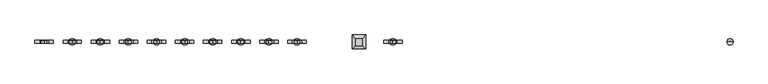
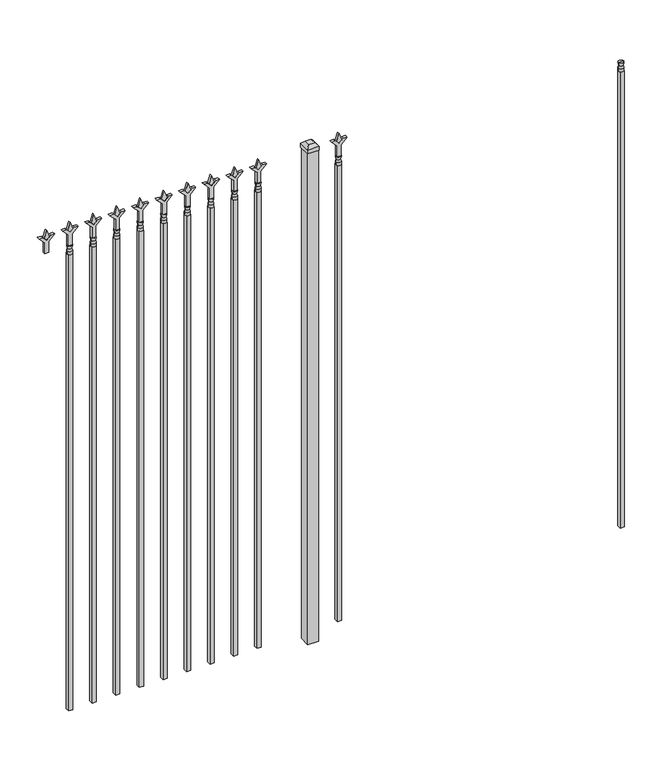
"""IFC4 building model written with IfcOpenShell, lengths in millimetres: railing geometry."""

from ifc_helpers import new_model, si_unit, frame, origin, origin_with_axes, place, context, project, spatial, polyline, circle_curve, outline, extrude, faceted_brep, source, transform, mapped, element, save
from ifc_brep_helpers import plane_surface, cylinder_surface, revolved_surface, advanced_brep


def railing_fdff99cb(model_context):
    return source(origin(), model_context, "Body", "SolidModel", [
        advanced_brep(
        [(-52219.574337, -3073.6570174, 2298.7), (-52243.386837, -3073.6570174, 2298.7), (-52243.386837, -3073.6570174, 2286.0), (-52219.574337, -3073.6570174, 2286.0), (-52221.7796688, -3073.6570174, 2311.2070585), (-52241.1815051, -3073.6570174, 2311.2070585), (-52219.574337, -3073.6570174, 2327.275), (-52243.386837, -3073.6570174, 2327.275), (-52231.480587, -3073.6570174, 2327.275), (-52231.480587, -3073.6570174, 2286.0)],
        [
            (0, 1, circle_curve(frame((-52231.480587, -3073.6570174, 2298.7), z_axis=(0.0, 0.0, -1.0), x_axis=(-1.0, 0.0, 0.0)), 11.90625)),
            (1, 2),
            (2, 3, circle_curve(frame((-52231.480587, -3073.6570174, 2286.0), z_axis=(0.0, 0.0, 1.0), x_axis=(-1.0, 0.0, 0.0)), 11.90625)),
            (3, 0),
            (1, 0, circle_curve(frame((-52231.480587, -3073.6570174, 2298.7), z_axis=(0.0, 0.0, -1.0), x_axis=(-1.0, 0.0, 0.0)), 11.90625)),
            (3, 2, circle_curve(frame((-52231.480587, -3073.6570174, 2286.0), z_axis=(0.0, 0.0, 1.0), x_axis=(-1.0, 0.0, 0.0)), 11.90625)),
            (4, 5, circle_curve(frame((-52231.480587, -3073.6570174, 2311.2070585), z_axis=(0.0, 0.0, -1.0), x_axis=(-1.0, 0.0, 0.0)), 9.7009181)),
            (5, 1),
            (0, 4),
            (5, 4, circle_curve(frame((-52231.480587, -3073.6570174, 2311.2070585), z_axis=(0.0, 0.0, -1.0), x_axis=(-1.0, 0.0, 0.0)), 9.7009181)),
            (6, 7, circle_curve(frame((-52231.480587, -3073.6570174, 2327.275), z_axis=(0.0, 0.0, -1.0), x_axis=(-1.0, 0.0, 0.0)), 11.90625)),
            (7, 5),
            (4, 6),
            (7, 6, circle_curve(frame((-52231.480587, -3073.6570174, 2327.275), z_axis=(0.0, 0.0, -1.0), x_axis=(-1.0, 0.0, 0.0)), 11.90625)),
            (8, 7),
            (6, 8),
            (2, 9),
            (9, 3),
        ],
        [
            cylinder_surface(frame((-52231.480587, -3073.6570174, 2286.0), z_axis=(0.0, 0.0, 1.0), x_axis=(-1.0, 0.0, 0.0)), 11.90625),
            revolved_surface(polyline([(-52243.386837, -3073.6570174, 2298.7), (-52241.1815051, -3073.6570174, 2311.2070585)]), (-52231.480587, -3073.6570174, 2286.0), (0.0, 0.0, 1.0)),
            revolved_surface(polyline([(-52241.1815051, -3073.6570174, 2311.2070585), (-52243.386837, -3073.6570174, 2327.275)]), (-52231.480587, -3073.6570174, 2286.0), (0.0, 0.0, 1.0)),
            plane_surface(frame((-52231.480587, -3073.6570174, 2327.275), z_axis=(0.0, 0.0, 1.0), x_axis=(-1.0, 0.0, 0.0))),
            plane_surface(frame((-52231.480587, -3073.6570174, 2286.0), z_axis=(0.0, 0.0, -1.0), x_axis=(-1.0, 0.0, 0.0))),
        ],
        [
            (0, [[1, 2, 3, 4]]),
            (0, [[5, -4, 6, -2]]),
            (1, [[7, 8, -1, 9]]),
            (1, [[10, -9, -5, -8]]),
            (2, [[11, 12, -7, 13]]),
            (2, [[14, -13, -10, -12]]),
            (3, [[15, -11, 16]]),
            (3, [[-16, -14, -15]]),
            (4, [[-3, 17, 18]]),
            (4, [[-6, -18, -17]]),
        ],
    ),
        extrude(outline(polyline([(-52241.005587, -3064.1320174), (-52221.955587, -3064.1320174), (-52221.955587, -3083.1820174), (-52241.005587, -3083.1820174), (-52241.005587, -3064.1320174)])), frame((0.0, 0.0, 50.8), z_axis=(0.0, 0.0, 1.0), x_axis=(1.0, 0.0, 0.0)), (0.0, 0.0, 1.0), 2235.2),
        extrude(outline(polyline([(2402.68125, -53530.849337), (2438.4, -53542.755587), (2402.68125, -53554.661837), (2390.775, -53542.755587), (2402.68125, -53530.849337)])), frame((0.0, -3078.4195174, 0.0), z_axis=(0.0, 1.0, 0.0), x_axis=(0.0, 0.0, 1.0)), (0.0, 0.0, 1.0), 9.525),
        extrude(outline(polyline([(2327.275, -53534.024337), (2381.5457378, -53534.024337), (2408.7355122, -53506.8345625), (2408.7355122, -53524.7950747), (2390.775, -53542.755587), (2408.7355122, -53560.7160992), (2408.7355122, -53578.6766114), (2381.5457378, -53551.486837), (2327.275, -53551.486837), (2327.275, -53534.024337)])), frame((0.0, -3080.0070174, 0.0), z_axis=(0.0, 1.0, 0.0), x_axis=(0.0, 0.0, 1.0)), (0.0, 0.0, 1.0), 12.7),
        advanced_brep(
        [(-53530.849337, -3073.6570174, 2298.7), (-53554.661837, -3073.6570174, 2298.7), (-53554.661837, -3073.6570174, 2286.0), (-53530.849337, -3073.6570174, 2286.0), (-53533.0546688, -3073.6570174, 2311.2070585), (-53552.4565051, -3073.6570174, 2311.2070585), (-53530.849337, -3073.6570174, 2327.275), (-53554.661837, -3073.6570174, 2327.275), (-53542.755587, -3073.6570174, 2327.275), (-53542.755587, -3073.6570174, 2286.0)],
        [
            (0, 1, circle_curve(frame((-53542.755587, -3073.6570174, 2298.7), z_axis=(0.0, 0.0, -1.0), x_axis=(-1.0, 0.0, 0.0)), 11.90625)),
            (1, 2),
            (2, 3, circle_curve(frame((-53542.755587, -3073.6570174, 2286.0), z_axis=(0.0, 0.0, 1.0), x_axis=(-1.0, 0.0, 0.0)), 11.90625)),
            (3, 0),
            (1, 0, circle_curve(frame((-53542.755587, -3073.6570174, 2298.7), z_axis=(0.0, 0.0, -1.0), x_axis=(-1.0, 0.0, 0.0)), 11.90625)),
            (3, 2, circle_curve(frame((-53542.755587, -3073.6570174, 2286.0), z_axis=(0.0, 0.0, 1.0), x_axis=(-1.0, 0.0, 0.0)), 11.90625)),
            (4, 5, circle_curve(frame((-53542.755587, -3073.6570174, 2311.2070585), z_axis=(0.0, 0.0, -1.0), x_axis=(-1.0, 0.0, 0.0)), 9.7009181)),
            (5, 1),
            (0, 4),
            (5, 4, circle_curve(frame((-53542.755587, -3073.6570174, 2311.2070585), z_axis=(0.0, 0.0, -1.0), x_axis=(-1.0, 0.0, 0.0)), 9.7009181)),
            (6, 7, circle_curve(frame((-53542.755587, -3073.6570174, 2327.275), z_axis=(0.0, 0.0, -1.0), x_axis=(-1.0, 0.0, 0.0)), 11.90625)),
            (7, 5),
            (4, 6),
            (7, 6, circle_curve(frame((-53542.755587, -3073.6570174, 2327.275), z_axis=(0.0, 0.0, -1.0), x_axis=(-1.0, 0.0, 0.0)), 11.90625)),
            (8, 7),
            (6, 8),
            (2, 9),
            (9, 3),
        ],
        [
            cylinder_surface(frame((-53542.755587, -3073.6570174, 2286.0), z_axis=(0.0, 0.0, 1.0), x_axis=(-1.0, 0.0, 0.0)), 11.90625),
            revolved_surface(polyline([(-53554.661837, -3073.6570174, 2298.7), (-53552.4565051, -3073.6570174, 2311.2070585)]), (-53542.755587, -3073.6570174, 2286.0), (0.0, 0.0, 1.0)),
            revolved_surface(polyline([(-53552.4565051, -3073.6570174, 2311.2070585), (-53554.661837, -3073.6570174, 2327.275)]), (-53542.755587, -3073.6570174, 2286.0), (0.0, 0.0, 1.0)),
            plane_surface(frame((-53542.755587, -3073.6570174, 2327.275), z_axis=(0.0, 0.0, 1.0), x_axis=(-1.0, 0.0, 0.0))),
            plane_surface(frame((-53542.755587, -3073.6570174, 2286.0), z_axis=(0.0, 0.0, -1.0), x_axis=(-1.0, 0.0, 0.0))),
        ],
        [
            (0, [[1, 2, 3, 4]]),
            (0, [[5, -4, 6, -2]]),
            (1, [[7, 8, -1, 9]]),
            (1, [[10, -9, -5, -8]]),
            (2, [[11, 12, -7, 13]]),
            (2, [[14, -13, -10, -12]]),
            (3, [[15, -11, 16]]),
            (3, [[-16, -14, -15]]),
            (4, [[-3, 17, 18]]),
            (4, [[-6, -18, -17]]),
        ],
    ),
        extrude(outline(polyline([(-53552.280587, -3064.1320174), (-53533.230587, -3064.1320174), (-53533.230587, -3083.1820174), (-53552.280587, -3083.1820174), (-53552.280587, -3064.1320174)])), frame((0.0, 0.0, 50.8), z_axis=(0.0, 0.0, 1.0), x_axis=(1.0, 0.0, 0.0)), (0.0, 0.0, 1.0), 2235.2),
        extrude(outline(polyline([(-53649.118087, -3048.2570174), (-53649.118087, -3099.0570174), (-53699.918087, -3099.0570174), (-53699.918087, -3048.2570174), (-53649.118087, -3048.2570174)])), origin_with_axes(), (0.0, 0.0, 1.0), 2406.65),
        faceted_brep([(-53701.505587, -3046.6695174, 2425.7), (-53701.505587, -3046.6695174, 2406.65), (-53701.505587, -3100.6445174, 2406.65), (-53701.505587, -3100.6445174, 2425.7), (-53688.805587, -3059.3695174, 2438.4), (-53688.805587, -3087.9445174, 2438.4), (-53647.530587, -3100.6445174, 2406.65), (-53647.530587, -3100.6445174, 2425.7), (-53660.230587, -3087.9445174, 2438.4), (-53647.530587, -3046.6695174, 2406.65), (-53647.530587, -3046.6695174, 2425.7), (-53660.230587, -3059.3695174, 2438.4)], [[[0, 1, 2, 3]], [[4, 0, 3, 5]], [[3, 2, 6, 7]], [[5, 3, 7, 8]], [[7, 6, 9, 10]], [[8, 7, 10, 11]], [[10, 9, 1, 0]], [[11, 10, 0, 4]], [[5, 8, 11, 4]], [[1, 9, 6, 2]]]),
        extrude(outline(polyline([(2402.68125, -53903.6472536), (2438.4, -53915.5535036), (2402.68125, -53927.4597536), (2390.775, -53915.5535036), (2402.68125, -53903.6472536)])), frame((0.0, -3078.4195174, 0.0), z_axis=(0.0, 1.0, 0.0), x_axis=(0.0, 0.0, 1.0)), (0.0, 0.0, 1.0), 9.525),
        extrude(outline(polyline([(2327.275, -53906.8222536), (2381.5457378, -53906.8222536), (2408.7355122, -53879.6324791), (2408.7355122, -53897.5929914), (2390.775, -53915.5535036), (2408.7355122, -53933.5140159), (2408.7355122, -53951.4745281), (2381.5457378, -53924.2847536), (2327.275, -53924.2847536), (2327.275, -53906.8222536)])), frame((0.0, -3080.0070174, 0.0), z_axis=(0.0, 1.0, 0.0), x_axis=(0.0, 0.0, 1.0)), (0.0, 0.0, 1.0), 12.7),
        advanced_brep(
        [(-53903.6472536, -3073.6570174, 2298.7), (-53927.4597536, -3073.6570174, 2298.7), (-53927.4597536, -3073.6570174, 2286.0), (-53903.6472536, -3073.6570174, 2286.0), (-53905.8525855, -3073.6570174, 2311.2070585), (-53925.2544218, -3073.6570174, 2311.2070585), (-53903.6472536, -3073.6570174, 2327.275), (-53927.4597536, -3073.6570174, 2327.275), (-53915.5535036, -3073.6570174, 2327.275), (-53915.5535036, -3073.6570174, 2286.0)],
        [
            (0, 1, circle_curve(frame((-53915.5535036, -3073.6570174, 2298.7), z_axis=(0.0, 0.0, -1.0), x_axis=(-1.0, 0.0, 0.0)), 11.90625)),
            (1, 2),
            (2, 3, circle_curve(frame((-53915.5535036, -3073.6570174, 2286.0), z_axis=(0.0, 0.0, 1.0), x_axis=(-1.0, 0.0, 0.0)), 11.90625)),
            (3, 0),
            (1, 0, circle_curve(frame((-53915.5535036, -3073.6570174, 2298.7), z_axis=(0.0, 0.0, -1.0), x_axis=(-1.0, 0.0, 0.0)), 11.90625)),
            (3, 2, circle_curve(frame((-53915.5535036, -3073.6570174, 2286.0), z_axis=(0.0, 0.0, 1.0), x_axis=(-1.0, 0.0, 0.0)), 11.90625)),
            (4, 5, circle_curve(frame((-53915.5535036, -3073.6570174, 2311.2070585), z_axis=(0.0, 0.0, -1.0), x_axis=(-1.0, 0.0, 0.0)), 9.7009181)),
            (5, 1),
            (0, 4),
            (5, 4, circle_curve(frame((-53915.5535036, -3073.6570174, 2311.2070585), z_axis=(0.0, 0.0, -1.0), x_axis=(-1.0, 0.0, 0.0)), 9.7009181)),
            (6, 7, circle_curve(frame((-53915.5535036, -3073.6570174, 2327.275), z_axis=(0.0, 0.0, -1.0), x_axis=(-1.0, 0.0, 0.0)), 11.90625)),
            (7, 5),
            (4, 6),
            (7, 6, circle_curve(frame((-53915.5535036, -3073.6570174, 2327.275), z_axis=(0.0, 0.0, -1.0), x_axis=(-1.0, 0.0, 0.0)), 11.90625)),
            (8, 7),
            (6, 8),
            (2, 9),
            (9, 3),
        ],
        [
            cylinder_surface(frame((-53915.5535036, -3073.6570174, 2286.0), z_axis=(0.0, 0.0, 1.0), x_axis=(-1.0, 0.0, 0.0)), 11.90625),
            revolved_surface(polyline([(-53927.4597536, -3073.6570174, 2298.7), (-53925.2544218, -3073.6570174, 2311.2070585)]), (-53915.5535036, -3073.6570174, 2286.0), (0.0, 0.0, 1.0)),
            revolved_surface(polyline([(-53925.2544218, -3073.6570174, 2311.2070585), (-53927.4597536, -3073.6570174, 2327.275)]), (-53915.5535036, -3073.6570174, 2286.0), (0.0, 0.0, 1.0)),
            plane_surface(frame((-53915.5535036, -3073.6570174, 2327.275), z_axis=(0.0, 0.0, 1.0), x_axis=(-1.0, 0.0, 0.0))),
            plane_surface(frame((-53915.5535036, -3073.6570174, 2286.0), z_axis=(0.0, 0.0, -1.0), x_axis=(-1.0, 0.0, 0.0))),
        ],
        [
            (0, [[1, 2, 3, 4]]),
            (0, [[5, -4, 6, -2]]),
            (1, [[7, 8, -1, 9]]),
            (1, [[10, -9, -5, -8]]),
            (2, [[11, 12, -7, 13]]),
            (2, [[14, -13, -10, -12]]),
            (3, [[15, -11, 16]]),
            (3, [[-16, -14, -15]]),
            (4, [[-3, 17, 18]]),
            (4, [[-6, -18, -17]]),
        ],
    ),
        extrude(outline(polyline([(-53925.0785036, -3064.1320174), (-53906.0285036, -3064.1320174), (-53906.0285036, -3083.1820174), (-53925.0785036, -3083.1820174), (-53925.0785036, -3064.1320174)])), frame((0.0, 0.0, 50.8), z_axis=(0.0, 0.0, 1.0), x_axis=(1.0, 0.0, 0.0)), (0.0, 0.0, 1.0), 2235.2),
        extrude(outline(polyline([(2402.68125, -54012.9201703), (2438.4, -54024.8264203), (2402.68125, -54036.7326703), (2390.775, -54024.8264203), (2402.68125, -54012.9201703)])), frame((0.0, -3078.4195174, 0.0), z_axis=(0.0, 1.0, 0.0), x_axis=(0.0, 0.0, 1.0)), (0.0, 0.0, 1.0), 9.525),
        extrude(outline(polyline([(2327.275, -54016.0951703), (2381.5457378, -54016.0951703), (2408.7355122, -53988.9053958), (2408.7355122, -54006.8659081), (2390.775, -54024.8264203), (2408.7355122, -54042.7869325), (2408.7355122, -54060.7474448), (2381.5457378, -54033.5576703), (2327.275, -54033.5576703), (2327.275, -54016.0951703)])), frame((0.0, -3080.0070174, 0.0), z_axis=(0.0, 1.0, 0.0), x_axis=(0.0, 0.0, 1.0)), (0.0, 0.0, 1.0), 12.7),
        advanced_brep(
        [(-54012.9201703, -3073.6570174, 2298.7), (-54036.7326703, -3073.6570174, 2298.7), (-54036.7326703, -3073.6570174, 2286.0), (-54012.9201703, -3073.6570174, 2286.0), (-54015.1255022, -3073.6570174, 2311.2070585), (-54034.5273384, -3073.6570174, 2311.2070585), (-54012.9201703, -3073.6570174, 2327.275), (-54036.7326703, -3073.6570174, 2327.275), (-54024.8264203, -3073.6570174, 2327.275), (-54024.8264203, -3073.6570174, 2286.0)],
        [
            (0, 1, circle_curve(frame((-54024.8264203, -3073.6570174, 2298.7), z_axis=(0.0, 0.0, -1.0), x_axis=(-1.0, 0.0, 0.0)), 11.90625)),
            (1, 2),
            (2, 3, circle_curve(frame((-54024.8264203, -3073.6570174, 2286.0), z_axis=(0.0, 0.0, 1.0), x_axis=(-1.0, 0.0, 0.0)), 11.90625)),
            (3, 0),
            (1, 0, circle_curve(frame((-54024.8264203, -3073.6570174, 2298.7), z_axis=(0.0, 0.0, -1.0), x_axis=(-1.0, 0.0, 0.0)), 11.90625)),
            (3, 2, circle_curve(frame((-54024.8264203, -3073.6570174, 2286.0), z_axis=(0.0, 0.0, 1.0), x_axis=(-1.0, 0.0, 0.0)), 11.90625)),
            (4, 5, circle_curve(frame((-54024.8264203, -3073.6570174, 2311.2070585), z_axis=(0.0, 0.0, -1.0), x_axis=(-1.0, 0.0, 0.0)), 9.7009181)),
            (5, 1),
            (0, 4),
            (5, 4, circle_curve(frame((-54024.8264203, -3073.6570174, 2311.2070585), z_axis=(0.0, 0.0, -1.0), x_axis=(-1.0, 0.0, 0.0)), 9.7009181)),
            (6, 7, circle_curve(frame((-54024.8264203, -3073.6570174, 2327.275), z_axis=(0.0, 0.0, -1.0), x_axis=(-1.0, 0.0, 0.0)), 11.90625)),
            (7, 5),
            (4, 6),
            (7, 6, circle_curve(frame((-54024.8264203, -3073.6570174, 2327.275), z_axis=(0.0, 0.0, -1.0), x_axis=(-1.0, 0.0, 0.0)), 11.90625)),
            (8, 7),
            (6, 8),
            (2, 9),
            (9, 3),
        ],
        [
            cylinder_surface(frame((-54024.8264203, -3073.6570174, 2286.0), z_axis=(0.0, 0.0, 1.0), x_axis=(-1.0, 0.0, 0.0)), 11.90625),
            revolved_surface(polyline([(-54036.7326703, -3073.6570174, 2298.7), (-54034.5273384, -3073.6570174, 2311.2070585)]), (-54024.8264203, -3073.6570174, 2286.0), (0.0, 0.0, 1.0)),
            revolved_surface(polyline([(-54034.5273384, -3073.6570174, 2311.2070585), (-54036.7326703, -3073.6570174, 2327.275)]), (-54024.8264203, -3073.6570174, 2286.0), (0.0, 0.0, 1.0)),
            plane_surface(frame((-54024.8264203, -3073.6570174, 2327.275), z_axis=(0.0, 0.0, 1.0), x_axis=(-1.0, 0.0, 0.0))),
            plane_surface(frame((-54024.8264203, -3073.6570174, 2286.0), z_axis=(0.0, 0.0, -1.0), x_axis=(-1.0, 0.0, 0.0))),
        ],
        [
            (0, [[1, 2, 3, 4]]),
            (0, [[5, -4, 6, -2]]),
            (1, [[7, 8, -1, 9]]),
            (1, [[10, -9, -5, -8]]),
            (2, [[11, 12, -7, 13]]),
            (2, [[14, -13, -10, -12]]),
            (3, [[15, -11, 16]]),
            (3, [[-16, -14, -15]]),
            (4, [[-3, 17, 18]]),
            (4, [[-6, -18, -17]]),
        ],
    ),
        extrude(outline(polyline([(-54034.3514203, -3064.1320174), (-54015.3014203, -3064.1320174), (-54015.3014203, -3083.1820174), (-54034.3514203, -3083.1820174), (-54034.3514203, -3064.1320174)])), frame((0.0, 0.0, 50.8), z_axis=(0.0, 0.0, 1.0), x_axis=(1.0, 0.0, 0.0)), (0.0, 0.0, 1.0), 2235.2),
        extrude(outline(polyline([(2402.68125, -54122.193087), (2438.4, -54134.099337), (2402.68125, -54146.005587), (2390.775, -54134.099337), (2402.68125, -54122.193087)])), frame((0.0, -3078.4195174, 0.0), z_axis=(0.0, 1.0, 0.0), x_axis=(0.0, 0.0, 1.0)), (0.0, 0.0, 1.0), 9.525),
        extrude(outline(polyline([(2327.275, -54125.368087), (2381.5457378, -54125.368087), (2408.7355122, -54098.1783125), (2408.7355122, -54116.1388247), (2390.775, -54134.099337), (2408.7355122, -54152.0598492), (2408.7355122, -54170.0203614), (2381.5457378, -54142.830587), (2327.275, -54142.830587), (2327.275, -54125.368087)])), frame((0.0, -3080.0070174, 0.0), z_axis=(0.0, 1.0, 0.0), x_axis=(0.0, 0.0, 1.0)), (0.0, 0.0, 1.0), 12.7),
        advanced_brep(
        [(-54122.193087, -3073.6570174, 2298.7), (-54146.005587, -3073.6570174, 2298.7), (-54146.005587, -3073.6570174, 2286.0), (-54122.193087, -3073.6570174, 2286.0), (-54124.3984188, -3073.6570174, 2311.2070585), (-54143.8002551, -3073.6570174, 2311.2070585), (-54122.193087, -3073.6570174, 2327.275), (-54146.005587, -3073.6570174, 2327.275), (-54134.099337, -3073.6570174, 2327.275), (-54134.099337, -3073.6570174, 2286.0)],
        [
            (0, 1, circle_curve(frame((-54134.099337, -3073.6570174, 2298.7), z_axis=(0.0, 0.0, -1.0), x_axis=(-1.0, 0.0, 0.0)), 11.90625)),
            (1, 2),
            (2, 3, circle_curve(frame((-54134.099337, -3073.6570174, 2286.0), z_axis=(0.0, 0.0, 1.0), x_axis=(-1.0, 0.0, 0.0)), 11.90625)),
            (3, 0),
            (1, 0, circle_curve(frame((-54134.099337, -3073.6570174, 2298.7), z_axis=(0.0, 0.0, -1.0), x_axis=(-1.0, 0.0, 0.0)), 11.90625)),
            (3, 2, circle_curve(frame((-54134.099337, -3073.6570174, 2286.0), z_axis=(0.0, 0.0, 1.0), x_axis=(-1.0, 0.0, 0.0)), 11.90625)),
            (4, 5, circle_curve(frame((-54134.099337, -3073.6570174, 2311.2070585), z_axis=(0.0, 0.0, -1.0), x_axis=(-1.0, 0.0, 0.0)), 9.7009181)),
            (5, 1),
            (0, 4),
            (5, 4, circle_curve(frame((-54134.099337, -3073.6570174, 2311.2070585), z_axis=(0.0, 0.0, -1.0), x_axis=(-1.0, 0.0, 0.0)), 9.7009181)),
            (6, 7, circle_curve(frame((-54134.099337, -3073.6570174, 2327.275), z_axis=(0.0, 0.0, -1.0), x_axis=(-1.0, 0.0, 0.0)), 11.90625)),
            (7, 5),
            (4, 6),
            (7, 6, circle_curve(frame((-54134.099337, -3073.6570174, 2327.275), z_axis=(0.0, 0.0, -1.0), x_axis=(-1.0, 0.0, 0.0)), 11.90625)),
            (8, 7),
            (6, 8),
            (2, 9),
            (9, 3),
        ],
        [
            cylinder_surface(frame((-54134.099337, -3073.6570174, 2286.0), z_axis=(0.0, 0.0, 1.0), x_axis=(-1.0, 0.0, 0.0)), 11.90625),
            revolved_surface(polyline([(-54146.005587, -3073.6570174, 2298.7), (-54143.8002551, -3073.6570174, 2311.2070585)]), (-54134.099337, -3073.6570174, 2286.0), (0.0, 0.0, 1.0)),
            revolved_surface(polyline([(-54143.8002551, -3073.6570174, 2311.2070585), (-54146.005587, -3073.6570174, 2327.275)]), (-54134.099337, -3073.6570174, 2286.0), (0.0, 0.0, 1.0)),
            plane_surface(frame((-54134.099337, -3073.6570174, 2327.275), z_axis=(0.0, 0.0, 1.0), x_axis=(-1.0, 0.0, 0.0))),
            plane_surface(frame((-54134.099337, -3073.6570174, 2286.0), z_axis=(0.0, 0.0, -1.0), x_axis=(-1.0, 0.0, 0.0))),
        ],
        [
            (0, [[1, 2, 3, 4]]),
            (0, [[5, -4, 6, -2]]),
            (1, [[7, 8, -1, 9]]),
            (1, [[10, -9, -5, -8]]),
            (2, [[11, 12, -7, 13]]),
            (2, [[14, -13, -10, -12]]),
            (3, [[15, -11, 16]]),
            (3, [[-16, -14, -15]]),
            (4, [[-3, 17, 18]]),
            (4, [[-6, -18, -17]]),
        ],
    ),
        extrude(outline(polyline([(-54143.624337, -3064.1320174), (-54124.574337, -3064.1320174), (-54124.574337, -3083.1820174), (-54143.624337, -3083.1820174), (-54143.624337, -3064.1320174)])), frame((0.0, 0.0, 50.8), z_axis=(0.0, 0.0, 1.0), x_axis=(1.0, 0.0, 0.0)), (0.0, 0.0, 1.0), 2235.2),
        extrude(outline(polyline([(2402.68125, -54231.4660036), (2438.4, -54243.3722536), (2402.68125, -54255.2785036), (2390.775, -54243.3722536), (2402.68125, -54231.4660036)])), frame((0.0, -3078.4195174, 0.0), z_axis=(0.0, 1.0, 0.0), x_axis=(0.0, 0.0, 1.0)), (0.0, 0.0, 1.0), 9.525),
        extrude(outline(polyline([(2327.275, -54234.6410036), (2381.5457378, -54234.6410036), (2408.7355122, -54207.4512291), (2408.7355122, -54225.4117414), (2390.775, -54243.3722536), (2408.7355122, -54261.3327659), (2408.7355122, -54279.2932781), (2381.5457378, -54252.1035036), (2327.275, -54252.1035036), (2327.275, -54234.6410036)])), frame((0.0, -3080.0070174, 0.0), z_axis=(0.0, 1.0, 0.0), x_axis=(0.0, 0.0, 1.0)), (0.0, 0.0, 1.0), 12.7),
        advanced_brep(
        [(-54231.4660036, -3073.6570174, 2298.7), (-54255.2785036, -3073.6570174, 2298.7), (-54255.2785036, -3073.6570174, 2286.0), (-54231.4660036, -3073.6570174, 2286.0), (-54233.6713355, -3073.6570174, 2311.2070585), (-54253.0731718, -3073.6570174, 2311.2070585), (-54231.4660036, -3073.6570174, 2327.275), (-54255.2785036, -3073.6570174, 2327.275), (-54243.3722536, -3073.6570174, 2327.275), (-54243.3722536, -3073.6570174, 2286.0)],
        [
            (0, 1, circle_curve(frame((-54243.3722536, -3073.6570174, 2298.7), z_axis=(0.0, 0.0, -1.0), x_axis=(-1.0, 0.0, 0.0)), 11.90625)),
            (1, 2),
            (2, 3, circle_curve(frame((-54243.3722536, -3073.6570174, 2286.0), z_axis=(0.0, 0.0, 1.0), x_axis=(-1.0, 0.0, 0.0)), 11.90625)),
            (3, 0),
            (1, 0, circle_curve(frame((-54243.3722536, -3073.6570174, 2298.7), z_axis=(0.0, 0.0, -1.0), x_axis=(-1.0, 0.0, 0.0)), 11.90625)),
            (3, 2, circle_curve(frame((-54243.3722536, -3073.6570174, 2286.0), z_axis=(0.0, 0.0, 1.0), x_axis=(-1.0, 0.0, 0.0)), 11.90625)),
            (4, 5, circle_curve(frame((-54243.3722536, -3073.6570174, 2311.2070585), z_axis=(0.0, 0.0, -1.0), x_axis=(-1.0, 0.0, 0.0)), 9.7009181)),
            (5, 1),
            (0, 4),
            (5, 4, circle_curve(frame((-54243.3722536, -3073.6570174, 2311.2070585), z_axis=(0.0, 0.0, -1.0), x_axis=(-1.0, 0.0, 0.0)), 9.7009181)),
            (6, 7, circle_curve(frame((-54243.3722536, -3073.6570174, 2327.275), z_axis=(0.0, 0.0, -1.0), x_axis=(-1.0, 0.0, 0.0)), 11.90625)),
            (7, 5),
            (4, 6),
            (7, 6, circle_curve(frame((-54243.3722536, -3073.6570174, 2327.275), z_axis=(0.0, 0.0, -1.0), x_axis=(-1.0, 0.0, 0.0)), 11.90625)),
            (8, 7),
            (6, 8),
            (2, 9),
            (9, 3),
        ],
        [
            cylinder_surface(frame((-54243.3722536, -3073.6570174, 2286.0), z_axis=(0.0, 0.0, 1.0), x_axis=(-1.0, 0.0, 0.0)), 11.90625),
            revolved_surface(polyline([(-54255.2785036, -3073.6570174, 2298.7), (-54253.0731718, -3073.6570174, 2311.2070585)]), (-54243.3722536, -3073.6570174, 2286.0), (0.0, 0.0, 1.0)),
            revolved_surface(polyline([(-54253.0731718, -3073.6570174, 2311.2070585), (-54255.2785036, -3073.6570174, 2327.275)]), (-54243.3722536, -3073.6570174, 2286.0), (0.0, 0.0, 1.0)),
            plane_surface(frame((-54243.3722536, -3073.6570174, 2327.275), z_axis=(0.0, 0.0, 1.0), x_axis=(-1.0, 0.0, 0.0))),
            plane_surface(frame((-54243.3722536, -3073.6570174, 2286.0), z_axis=(0.0, 0.0, -1.0), x_axis=(-1.0, 0.0, 0.0))),
        ],
        [
            (0, [[1, 2, 3, 4]]),
            (0, [[5, -4, 6, -2]]),
            (1, [[7, 8, -1, 9]]),
            (1, [[10, -9, -5, -8]]),
            (2, [[11, 12, -7, 13]]),
            (2, [[14, -13, -10, -12]]),
            (3, [[15, -11, 16]]),
            (3, [[-16, -14, -15]]),
            (4, [[-3, 17, 18]]),
            (4, [[-6, -18, -17]]),
        ],
    ),
        extrude(outline(polyline([(-54252.8972536, -3064.1320174), (-54233.8472536, -3064.1320174), (-54233.8472536, -3083.1820174), (-54252.8972536, -3083.1820174), (-54252.8972536, -3064.1320174)])), frame((0.0, 0.0, 50.8), z_axis=(0.0, 0.0, 1.0), x_axis=(1.0, 0.0, 0.0)), (0.0, 0.0, 1.0), 2235.2),
        extrude(outline(polyline([(2402.68125, -54340.7389203), (2438.4, -54352.6451703), (2402.68125, -54364.5514203), (2390.775, -54352.6451703), (2402.68125, -54340.7389203)])), frame((0.0, -3078.4195174, 0.0), z_axis=(0.0, 1.0, 0.0), x_axis=(0.0, 0.0, 1.0)), (0.0, 0.0, 1.0), 9.525),
        extrude(outline(polyline([(2327.275, -54343.9139203), (2381.5457378, -54343.9139203), (2408.7355122, -54316.7241458), (2408.7355122, -54334.6846581), (2390.775, -54352.6451703), (2408.7355122, -54370.6056825), (2408.7355122, -54388.5661948), (2381.5457378, -54361.3764203), (2327.275, -54361.3764203), (2327.275, -54343.9139203)])), frame((0.0, -3080.0070174, 0.0), z_axis=(0.0, 1.0, 0.0), x_axis=(0.0, 0.0, 1.0)), (0.0, 0.0, 1.0), 12.7),
        advanced_brep(
        [(-54340.7389203, -3073.6570174, 2298.7), (-54364.5514203, -3073.6570174, 2298.7), (-54364.5514203, -3073.6570174, 2286.0), (-54340.7389203, -3073.6570174, 2286.0), (-54342.9442522, -3073.6570174, 2311.2070585), (-54362.3460884, -3073.6570174, 2311.2070585), (-54340.7389203, -3073.6570174, 2327.275), (-54364.5514203, -3073.6570174, 2327.275), (-54352.6451703, -3073.6570174, 2327.275), (-54352.6451703, -3073.6570174, 2286.0)],
        [
            (0, 1, circle_curve(frame((-54352.6451703, -3073.6570174, 2298.7), z_axis=(0.0, 0.0, -1.0), x_axis=(-1.0, 0.0, 0.0)), 11.90625)),
            (1, 2),
            (2, 3, circle_curve(frame((-54352.6451703, -3073.6570174, 2286.0), z_axis=(0.0, 0.0, 1.0), x_axis=(-1.0, 0.0, 0.0)), 11.90625)),
            (3, 0),
            (1, 0, circle_curve(frame((-54352.6451703, -3073.6570174, 2298.7), z_axis=(0.0, 0.0, -1.0), x_axis=(-1.0, 0.0, 0.0)), 11.90625)),
            (3, 2, circle_curve(frame((-54352.6451703, -3073.6570174, 2286.0), z_axis=(0.0, 0.0, 1.0), x_axis=(-1.0, 0.0, 0.0)), 11.90625)),
            (4, 5, circle_curve(frame((-54352.6451703, -3073.6570174, 2311.2070585), z_axis=(0.0, 0.0, -1.0), x_axis=(-1.0, 0.0, 0.0)), 9.7009181)),
            (5, 1),
            (0, 4),
            (5, 4, circle_curve(frame((-54352.6451703, -3073.6570174, 2311.2070585), z_axis=(0.0, 0.0, -1.0), x_axis=(-1.0, 0.0, 0.0)), 9.7009181)),
            (6, 7, circle_curve(frame((-54352.6451703, -3073.6570174, 2327.275), z_axis=(0.0, 0.0, -1.0), x_axis=(-1.0, 0.0, 0.0)), 11.90625)),
            (7, 5),
            (4, 6),
            (7, 6, circle_curve(frame((-54352.6451703, -3073.6570174, 2327.275), z_axis=(0.0, 0.0, -1.0), x_axis=(-1.0, 0.0, 0.0)), 11.90625)),
            (8, 7),
            (6, 8),
            (2, 9),
            (9, 3),
        ],
        [
            cylinder_surface(frame((-54352.6451703, -3073.6570174, 2286.0), z_axis=(0.0, 0.0, 1.0), x_axis=(-1.0, 0.0, 0.0)), 11.90625),
            revolved_surface(polyline([(-54364.5514203, -3073.6570174, 2298.7), (-54362.3460884, -3073.6570174, 2311.2070585)]), (-54352.6451703, -3073.6570174, 2286.0), (0.0, 0.0, 1.0)),
            revolved_surface(polyline([(-54362.3460884, -3073.6570174, 2311.2070585), (-54364.5514203, -3073.6570174, 2327.275)]), (-54352.6451703, -3073.6570174, 2286.0), (0.0, 0.0, 1.0)),
            plane_surface(frame((-54352.6451703, -3073.6570174, 2327.275), z_axis=(0.0, 0.0, 1.0), x_axis=(-1.0, 0.0, 0.0))),
            plane_surface(frame((-54352.6451703, -3073.6570174, 2286.0), z_axis=(0.0, 0.0, -1.0), x_axis=(-1.0, 0.0, 0.0))),
        ],
        [
            (0, [[1, 2, 3, 4]]),
            (0, [[5, -4, 6, -2]]),
            (1, [[7, 8, -1, 9]]),
            (1, [[10, -9, -5, -8]]),
            (2, [[11, 12, -7, 13]]),
            (2, [[14, -13, -10, -12]]),
            (3, [[15, -11, 16]]),
            (3, [[-16, -14, -15]]),
            (4, [[-3, 17, 18]]),
            (4, [[-6, -18, -17]]),
        ],
    ),
        extrude(outline(polyline([(-54362.1701703, -3064.1320174), (-54343.1201703, -3064.1320174), (-54343.1201703, -3083.1820174), (-54362.1701703, -3083.1820174), (-54362.1701703, -3064.1320174)])), frame((0.0, 0.0, 50.8), z_axis=(0.0, 0.0, 1.0), x_axis=(1.0, 0.0, 0.0)), (0.0, 0.0, 1.0), 2235.2),
        extrude(outline(polyline([(2402.68125, -54450.011837), (2438.4, -54461.918087), (2402.68125, -54473.824337), (2390.775, -54461.918087), (2402.68125, -54450.011837)])), frame((0.0, -3078.4195174, 0.0), z_axis=(0.0, 1.0, 0.0), x_axis=(0.0, 0.0, 1.0)), (0.0, 0.0, 1.0), 9.525),
        extrude(outline(polyline([(2327.275, -54453.186837), (2381.5457378, -54453.186837), (2408.7355122, -54425.9970625), (2408.7355122, -54443.9575747), (2390.775, -54461.918087), (2408.7355122, -54479.8785992), (2408.7355122, -54497.8391114), (2381.5457378, -54470.649337), (2327.275, -54470.649337), (2327.275, -54453.186837)])), frame((0.0, -3080.0070174, 0.0), z_axis=(0.0, 1.0, 0.0), x_axis=(0.0, 0.0, 1.0)), (0.0, 0.0, 1.0), 12.7),
        advanced_brep(
        [(-54450.011837, -3073.6570174, 2298.7), (-54473.824337, -3073.6570174, 2298.7), (-54473.824337, -3073.6570174, 2286.0), (-54450.011837, -3073.6570174, 2286.0), (-54452.2171688, -3073.6570174, 2311.2070585), (-54471.6190051, -3073.6570174, 2311.2070585), (-54450.011837, -3073.6570174, 2327.275), (-54473.824337, -3073.6570174, 2327.275), (-54461.918087, -3073.6570174, 2327.275), (-54461.918087, -3073.6570174, 2286.0)],
        [
            (0, 1, circle_curve(frame((-54461.918087, -3073.6570174, 2298.7), z_axis=(0.0, 0.0, -1.0), x_axis=(-1.0, 0.0, 0.0)), 11.90625)),
            (1, 2),
            (2, 3, circle_curve(frame((-54461.918087, -3073.6570174, 2286.0), z_axis=(0.0, 0.0, 1.0), x_axis=(-1.0, 0.0, 0.0)), 11.90625)),
            (3, 0),
            (1, 0, circle_curve(frame((-54461.918087, -3073.6570174, 2298.7), z_axis=(0.0, 0.0, -1.0), x_axis=(-1.0, 0.0, 0.0)), 11.90625)),
            (3, 2, circle_curve(frame((-54461.918087, -3073.6570174, 2286.0), z_axis=(0.0, 0.0, 1.0), x_axis=(-1.0, 0.0, 0.0)), 11.90625)),
            (4, 5, circle_curve(frame((-54461.918087, -3073.6570174, 2311.2070585), z_axis=(0.0, 0.0, -1.0), x_axis=(-1.0, 0.0, 0.0)), 9.7009181)),
            (5, 1),
            (0, 4),
            (5, 4, circle_curve(frame((-54461.918087, -3073.6570174, 2311.2070585), z_axis=(0.0, 0.0, -1.0), x_axis=(-1.0, 0.0, 0.0)), 9.7009181)),
            (6, 7, circle_curve(frame((-54461.918087, -3073.6570174, 2327.275), z_axis=(0.0, 0.0, -1.0), x_axis=(-1.0, 0.0, 0.0)), 11.90625)),
            (7, 5),
            (4, 6),
            (7, 6, circle_curve(frame((-54461.918087, -3073.6570174, 2327.275), z_axis=(0.0, 0.0, -1.0), x_axis=(-1.0, 0.0, 0.0)), 11.90625)),
            (8, 7),
            (6, 8),
            (2, 9),
            (9, 3),
        ],
        [
            cylinder_surface(frame((-54461.918087, -3073.6570174, 2286.0), z_axis=(0.0, 0.0, 1.0), x_axis=(-1.0, 0.0, 0.0)), 11.90625),
            revolved_surface(polyline([(-54473.824337, -3073.6570174, 2298.7), (-54471.6190051, -3073.6570174, 2311.2070585)]), (-54461.918087, -3073.6570174, 2286.0), (0.0, 0.0, 1.0)),
            revolved_surface(polyline([(-54471.6190051, -3073.6570174, 2311.2070585), (-54473.824337, -3073.6570174, 2327.275)]), (-54461.918087, -3073.6570174, 2286.0), (0.0, 0.0, 1.0)),
            plane_surface(frame((-54461.918087, -3073.6570174, 2327.275), z_axis=(0.0, 0.0, 1.0), x_axis=(-1.0, 0.0, 0.0))),
            plane_surface(frame((-54461.918087, -3073.6570174, 2286.0), z_axis=(0.0, 0.0, -1.0), x_axis=(-1.0, 0.0, 0.0))),
        ],
        [
            (0, [[1, 2, 3, 4]]),
            (0, [[5, -4, 6, -2]]),
            (1, [[7, 8, -1, 9]]),
            (1, [[10, -9, -5, -8]]),
            (2, [[11, 12, -7, 13]]),
            (2, [[14, -13, -10, -12]]),
            (3, [[15, -11, 16]]),
            (3, [[-16, -14, -15]]),
            (4, [[-3, 17, 18]]),
            (4, [[-6, -18, -17]]),
        ],
    ),
        extrude(outline(polyline([(-54471.443087, -3064.1320174), (-54452.393087, -3064.1320174), (-54452.393087, -3083.1820174), (-54471.443087, -3083.1820174), (-54471.443087, -3064.1320174)])), frame((0.0, 0.0, 50.8), z_axis=(0.0, 0.0, 1.0), x_axis=(1.0, 0.0, 0.0)), (0.0, 0.0, 1.0), 2235.2),
        extrude(outline(polyline([(2402.68125, -54559.2847536), (2438.4, -54571.1910036), (2402.68125, -54583.0972536), (2390.775, -54571.1910036), (2402.68125, -54559.2847536)])), frame((0.0, -3078.4195174, 0.0), z_axis=(0.0, 1.0, 0.0), x_axis=(0.0, 0.0, 1.0)), (0.0, 0.0, 1.0), 9.525),
        extrude(outline(polyline([(2327.275, -54562.4597536), (2381.5457378, -54562.4597536), (2408.7355122, -54535.2699791), (2408.7355122, -54553.2304914), (2390.775, -54571.1910036), (2408.7355122, -54589.1515159), (2408.7355122, -54607.1120281), (2381.5457378, -54579.9222536), (2327.275, -54579.9222536), (2327.275, -54562.4597536)])), frame((0.0, -3080.0070174, 0.0), z_axis=(0.0, 1.0, 0.0), x_axis=(0.0, 0.0, 1.0)), (0.0, 0.0, 1.0), 12.7),
        advanced_brep(
        [(-54559.2847536, -3073.6570174, 2298.7), (-54583.0972536, -3073.6570174, 2298.7), (-54583.0972536, -3073.6570174, 2286.0), (-54559.2847536, -3073.6570174, 2286.0), (-54561.4900855, -3073.6570174, 2311.2070585), (-54580.8919218, -3073.6570174, 2311.2070585), (-54559.2847536, -3073.6570174, 2327.275), (-54583.0972536, -3073.6570174, 2327.275), (-54571.1910036, -3073.6570174, 2327.275), (-54571.1910036, -3073.6570174, 2286.0)],
        [
            (0, 1, circle_curve(frame((-54571.1910036, -3073.6570174, 2298.7), z_axis=(0.0, 0.0, -1.0), x_axis=(-1.0, 0.0, 0.0)), 11.90625)),
            (1, 2),
            (2, 3, circle_curve(frame((-54571.1910036, -3073.6570174, 2286.0), z_axis=(0.0, 0.0, 1.0), x_axis=(-1.0, 0.0, 0.0)), 11.90625)),
            (3, 0),
            (1, 0, circle_curve(frame((-54571.1910036, -3073.6570174, 2298.7), z_axis=(0.0, 0.0, -1.0), x_axis=(-1.0, 0.0, 0.0)), 11.90625)),
            (3, 2, circle_curve(frame((-54571.1910036, -3073.6570174, 2286.0), z_axis=(0.0, 0.0, 1.0), x_axis=(-1.0, 0.0, 0.0)), 11.90625)),
            (4, 5, circle_curve(frame((-54571.1910036, -3073.6570174, 2311.2070585), z_axis=(0.0, 0.0, -1.0), x_axis=(-1.0, 0.0, 0.0)), 9.7009181)),
            (5, 1),
            (0, 4),
            (5, 4, circle_curve(frame((-54571.1910036, -3073.6570174, 2311.2070585), z_axis=(0.0, 0.0, -1.0), x_axis=(-1.0, 0.0, 0.0)), 9.7009181)),
            (6, 7, circle_curve(frame((-54571.1910036, -3073.6570174, 2327.275), z_axis=(0.0, 0.0, -1.0), x_axis=(-1.0, 0.0, 0.0)), 11.90625)),
            (7, 5),
            (4, 6),
            (7, 6, circle_curve(frame((-54571.1910036, -3073.6570174, 2327.275), z_axis=(0.0, 0.0, -1.0), x_axis=(-1.0, 0.0, 0.0)), 11.90625)),
            (8, 7),
            (6, 8),
            (2, 9),
            (9, 3),
        ],
        [
            cylinder_surface(frame((-54571.1910036, -3073.6570174, 2286.0), z_axis=(0.0, 0.0, 1.0), x_axis=(-1.0, 0.0, 0.0)), 11.90625),
            revolved_surface(polyline([(-54583.0972536, -3073.6570174, 2298.7), (-54580.8919218, -3073.6570174, 2311.2070585)]), (-54571.1910036, -3073.6570174, 2286.0), (0.0, 0.0, 1.0)),
            revolved_surface(polyline([(-54580.8919218, -3073.6570174, 2311.2070585), (-54583.0972536, -3073.6570174, 2327.275)]), (-54571.1910036, -3073.6570174, 2286.0), (0.0, 0.0, 1.0)),
            plane_surface(frame((-54571.1910036, -3073.6570174, 2327.275), z_axis=(0.0, 0.0, 1.0), x_axis=(-1.0, 0.0, 0.0))),
            plane_surface(frame((-54571.1910036, -3073.6570174, 2286.0), z_axis=(0.0, 0.0, -1.0), x_axis=(-1.0, 0.0, 0.0))),
        ],
        [
            (0, [[1, 2, 3, 4]]),
            (0, [[5, -4, 6, -2]]),
            (1, [[7, 8, -1, 9]]),
            (1, [[10, -9, -5, -8]]),
            (2, [[11, 12, -7, 13]]),
            (2, [[14, -13, -10, -12]]),
            (3, [[15, -11, 16]]),
            (3, [[-16, -14, -15]]),
            (4, [[-3, 17, 18]]),
            (4, [[-6, -18, -17]]),
        ],
    ),
        extrude(outline(polyline([(-54580.7160036, -3064.1320174), (-54561.6660036, -3064.1320174), (-54561.6660036, -3083.1820174), (-54580.7160036, -3083.1820174), (-54580.7160036, -3064.1320174)])), frame((0.0, 0.0, 50.8), z_axis=(0.0, 0.0, 1.0), x_axis=(1.0, 0.0, 0.0)), (0.0, 0.0, 1.0), 2235.2),
        extrude(outline(polyline([(2402.68125, -54668.5576703), (2438.4, -54680.4639203), (2402.68125, -54692.3701703), (2390.775, -54680.4639203), (2402.68125, -54668.5576703)])), frame((0.0, -3078.4195174, 0.0), z_axis=(0.0, 1.0, 0.0), x_axis=(0.0, 0.0, 1.0)), (0.0, 0.0, 1.0), 9.525),
        extrude(outline(polyline([(2327.275, -54671.7326703), (2381.5457378, -54671.7326703), (2408.7355122, -54644.5428958), (2408.7355122, -54662.5034081), (2390.775, -54680.4639203), (2408.7355122, -54698.4244325), (2408.7355122, -54716.3849448), (2381.5457378, -54689.1951703), (2327.275, -54689.1951703), (2327.275, -54671.7326703)])), frame((0.0, -3080.0070174, 0.0), z_axis=(0.0, 1.0, 0.0), x_axis=(0.0, 0.0, 1.0)), (0.0, 0.0, 1.0), 12.7),
        advanced_brep(
        [(-54668.5576703, -3073.6570174, 2298.7), (-54692.3701703, -3073.6570174, 2298.7), (-54692.3701703, -3073.6570174, 2286.0), (-54668.5576703, -3073.6570174, 2286.0), (-54670.7630022, -3073.6570174, 2311.2070585), (-54690.1648384, -3073.6570174, 2311.2070585), (-54668.5576703, -3073.6570174, 2327.275), (-54692.3701703, -3073.6570174, 2327.275), (-54680.4639203, -3073.6570174, 2327.275), (-54680.4639203, -3073.6570174, 2286.0)],
        [
            (0, 1, circle_curve(frame((-54680.4639203, -3073.6570174, 2298.7), z_axis=(0.0, 0.0, -1.0), x_axis=(-1.0, 0.0, 0.0)), 11.90625)),
            (1, 2),
            (2, 3, circle_curve(frame((-54680.4639203, -3073.6570174, 2286.0), z_axis=(0.0, 0.0, 1.0), x_axis=(-1.0, 0.0, 0.0)), 11.90625)),
            (3, 0),
            (1, 0, circle_curve(frame((-54680.4639203, -3073.6570174, 2298.7), z_axis=(0.0, 0.0, -1.0), x_axis=(-1.0, 0.0, 0.0)), 11.90625)),
            (3, 2, circle_curve(frame((-54680.4639203, -3073.6570174, 2286.0), z_axis=(0.0, 0.0, 1.0), x_axis=(-1.0, 0.0, 0.0)), 11.90625)),
            (4, 5, circle_curve(frame((-54680.4639203, -3073.6570174, 2311.2070585), z_axis=(0.0, 0.0, -1.0), x_axis=(-1.0, 0.0, 0.0)), 9.7009181)),
            (5, 1),
            (0, 4),
            (5, 4, circle_curve(frame((-54680.4639203, -3073.6570174, 2311.2070585), z_axis=(0.0, 0.0, -1.0), x_axis=(-1.0, 0.0, 0.0)), 9.7009181)),
            (6, 7, circle_curve(frame((-54680.4639203, -3073.6570174, 2327.275), z_axis=(0.0, 0.0, -1.0), x_axis=(-1.0, 0.0, 0.0)), 11.90625)),
            (7, 5),
            (4, 6),
            (7, 6, circle_curve(frame((-54680.4639203, -3073.6570174, 2327.275), z_axis=(0.0, 0.0, -1.0), x_axis=(-1.0, 0.0, 0.0)), 11.90625)),
            (8, 7),
            (6, 8),
            (2, 9),
            (9, 3),
        ],
        [
            cylinder_surface(frame((-54680.4639203, -3073.6570174, 2286.0), z_axis=(0.0, 0.0, 1.0), x_axis=(-1.0, 0.0, 0.0)), 11.90625),
            revolved_surface(polyline([(-54692.3701703, -3073.6570174, 2298.7), (-54690.1648384, -3073.6570174, 2311.2070585)]), (-54680.4639203, -3073.6570174, 2286.0), (0.0, 0.0, 1.0)),
            revolved_surface(polyline([(-54690.1648384, -3073.6570174, 2311.2070585), (-54692.3701703, -3073.6570174, 2327.275)]), (-54680.4639203, -3073.6570174, 2286.0), (0.0, 0.0, 1.0)),
            plane_surface(frame((-54680.4639203, -3073.6570174, 2327.275), z_axis=(0.0, 0.0, 1.0), x_axis=(-1.0, 0.0, 0.0))),
            plane_surface(frame((-54680.4639203, -3073.6570174, 2286.0), z_axis=(0.0, 0.0, -1.0), x_axis=(-1.0, 0.0, 0.0))),
        ],
        [
            (0, [[1, 2, 3, 4]]),
            (0, [[5, -4, 6, -2]]),
            (1, [[7, 8, -1, 9]]),
            (1, [[10, -9, -5, -8]]),
            (2, [[11, 12, -7, 13]]),
            (2, [[14, -13, -10, -12]]),
            (3, [[15, -11, 16]]),
            (3, [[-16, -14, -15]]),
            (4, [[-3, 17, 18]]),
            (4, [[-6, -18, -17]]),
        ],
    ),
        extrude(outline(polyline([(-54689.9889203, -3064.1320174), (-54670.9389203, -3064.1320174), (-54670.9389203, -3083.1820174), (-54689.9889203, -3083.1820174), (-54689.9889203, -3064.1320174)])), frame((0.0, 0.0, 50.8), z_axis=(0.0, 0.0, 1.0), x_axis=(1.0, 0.0, 0.0)), (0.0, 0.0, 1.0), 2235.2),
        extrude(outline(polyline([(2402.68125, -54777.830587), (2438.4, -54789.736837), (2402.68125, -54801.643087), (2390.775, -54789.736837), (2402.68125, -54777.830587)])), frame((0.0, -3078.4195174, 0.0), z_axis=(0.0, 1.0, 0.0), x_axis=(0.0, 0.0, 1.0)), (0.0, 0.0, 1.0), 9.525),
        extrude(outline(polyline([(2327.275, -54781.005587), (2381.5457378, -54781.005587), (2408.7355122, -54753.8158125), (2408.7355122, -54771.7763247), (2390.775, -54789.736837), (2408.7355122, -54807.6973492), (2408.7355122, -54825.6578614), (2381.5457378, -54798.468087), (2327.275, -54798.468087), (2327.275, -54781.005587)])), frame((0.0, -3080.0070174, 0.0), z_axis=(0.0, 1.0, 0.0), x_axis=(0.0, 0.0, 1.0)), (0.0, 0.0, 1.0), 12.7),
        advanced_brep(
        [(-54777.830587, -3073.6570174, 2298.7), (-54801.643087, -3073.6570174, 2298.7), (-54801.643087, -3073.6570174, 2286.0), (-54777.830587, -3073.6570174, 2286.0), (-54780.0359188, -3073.6570174, 2311.2070585), (-54799.4377551, -3073.6570174, 2311.2070585), (-54777.830587, -3073.6570174, 2327.275), (-54801.643087, -3073.6570174, 2327.275), (-54789.736837, -3073.6570174, 2327.275), (-54789.736837, -3073.6570174, 2286.0)],
        [
            (0, 1, circle_curve(frame((-54789.736837, -3073.6570174, 2298.7), z_axis=(0.0, 0.0, -1.0), x_axis=(-1.0, 0.0, 0.0)), 11.90625)),
            (1, 2),
            (2, 3, circle_curve(frame((-54789.736837, -3073.6570174, 2286.0), z_axis=(0.0, 0.0, 1.0), x_axis=(-1.0, 0.0, 0.0)), 11.90625)),
            (3, 0),
            (1, 0, circle_curve(frame((-54789.736837, -3073.6570174, 2298.7), z_axis=(0.0, 0.0, -1.0), x_axis=(-1.0, 0.0, 0.0)), 11.90625)),
            (3, 2, circle_curve(frame((-54789.736837, -3073.6570174, 2286.0), z_axis=(0.0, 0.0, 1.0), x_axis=(-1.0, 0.0, 0.0)), 11.90625)),
            (4, 5, circle_curve(frame((-54789.736837, -3073.6570174, 2311.2070585), z_axis=(0.0, 0.0, -1.0), x_axis=(-1.0, 0.0, 0.0)), 9.7009181)),
            (5, 1),
            (0, 4),
            (5, 4, circle_curve(frame((-54789.736837, -3073.6570174, 2311.2070585), z_axis=(0.0, 0.0, -1.0), x_axis=(-1.0, 0.0, 0.0)), 9.7009181)),
            (6, 7, circle_curve(frame((-54789.736837, -3073.6570174, 2327.275), z_axis=(0.0, 0.0, -1.0), x_axis=(-1.0, 0.0, 0.0)), 11.90625)),
            (7, 5),
            (4, 6),
            (7, 6, circle_curve(frame((-54789.736837, -3073.6570174, 2327.275), z_axis=(0.0, 0.0, -1.0), x_axis=(-1.0, 0.0, 0.0)), 11.90625)),
            (8, 7),
            (6, 8),
            (2, 9),
            (9, 3),
        ],
        [
            cylinder_surface(frame((-54789.736837, -3073.6570174, 2286.0), z_axis=(0.0, 0.0, 1.0), x_axis=(-1.0, 0.0, 0.0)), 11.90625),
            revolved_surface(polyline([(-54801.643087, -3073.6570174, 2298.7), (-54799.4377551, -3073.6570174, 2311.2070585)]), (-54789.736837, -3073.6570174, 2286.0), (0.0, 0.0, 1.0)),
            revolved_surface(polyline([(-54799.4377551, -3073.6570174, 2311.2070585), (-54801.643087, -3073.6570174, 2327.275)]), (-54789.736837, -3073.6570174, 2286.0), (0.0, 0.0, 1.0)),
            plane_surface(frame((-54789.736837, -3073.6570174, 2327.275), z_axis=(0.0, 0.0, 1.0), x_axis=(-1.0, 0.0, 0.0))),
            plane_surface(frame((-54789.736837, -3073.6570174, 2286.0), z_axis=(0.0, 0.0, -1.0), x_axis=(-1.0, 0.0, 0.0))),
        ],
        [
            (0, [[1, 2, 3, 4]]),
            (0, [[5, -4, 6, -2]]),
            (1, [[7, 8, -1, 9]]),
            (1, [[10, -9, -5, -8]]),
            (2, [[11, 12, -7, 13]]),
            (2, [[14, -13, -10, -12]]),
            (3, [[15, -11, 16]]),
            (3, [[-16, -14, -15]]),
            (4, [[-3, 17, 18]]),
            (4, [[-6, -18, -17]]),
        ],
    ),
        extrude(outline(polyline([(-54799.261837, -3064.1320174), (-54780.211837, -3064.1320174), (-54780.211837, -3083.1820174), (-54799.261837, -3083.1820174), (-54799.261837, -3064.1320174)])), frame((0.0, 0.0, 50.8), z_axis=(0.0, 0.0, 1.0), x_axis=(1.0, 0.0, 0.0)), (0.0, 0.0, 1.0), 2235.2),
        extrude(outline(polyline([(2402.68125, -54887.1035036), (2438.4, -54899.0097536), (2402.68125, -54910.9160036), (2390.775, -54899.0097536), (2402.68125, -54887.1035036)])), frame((0.0, -3078.4195174, 0.0), z_axis=(0.0, 1.0, 0.0), x_axis=(0.0, 0.0, 1.0)), (0.0, 0.0, 1.0), 9.525),
        extrude(outline(polyline([(2327.275, -54890.2785036), (2381.5457378, -54890.2785036), (2408.7355122, -54863.0887291), (2408.7355122, -54881.0492414), (2390.775, -54899.0097536), (2408.7355122, -54916.9702659), (2408.7355122, -54934.9307781), (2381.5457378, -54907.7410036), (2327.275, -54907.7410036), (2327.275, -54890.2785036)])), frame((0.0, -3080.0070174, 0.0), z_axis=(0.0, 1.0, 0.0), x_axis=(0.0, 0.0, 1.0)), (0.0, 0.0, 1.0), 12.7),
    ])


if __name__ == "__main__":
    model = new_model("IFC4")
    model_context = context("Model", 3, world=origin())
    ifc_project = project(units=[si_unit("LENGTHUNIT", "METRE", prefix="MILLI")], contexts=[model_context])
    site = spatial("IfcSite", under=ifc_project)
    building = spatial("IfcBuilding", under=site)
    placement = place(None, origin())
    railing_shape = railing_fdff99cb(model_context)
    element("IfcRailing", 1, at=placement, inside=building, context=model_context, shape_type="MappedRepresentation", body=[
        mapped(railing_shape, transform((0.0, 0.0, 0.0), x_axis=(1.0, 0.0, 0.0), y_axis=(0.0, 1.0, 0.0), z_axis=(0.0, 0.0, 1.0))),
    ])
    save(model, "model.ifc")
